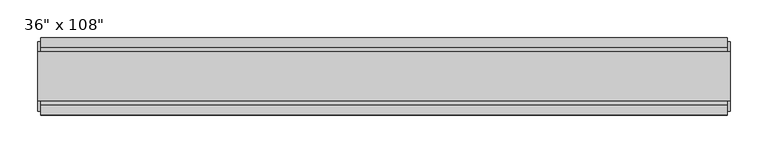
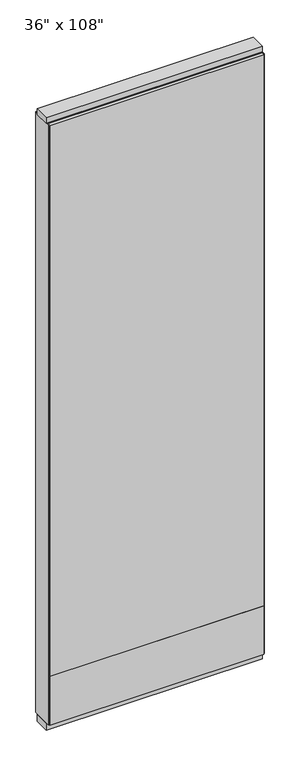
"""IFC4 building model written with IfcOpenShell, lengths in millimetres: furniture geometry."""

from ifc_helpers import new_model, si_unit, frame, origin, origin_with_axes, place, context, project, spatial, polyline, outline, extrude, source, transform, mapped, element, save


def furniture_878c8f33(model_context):
    return source(origin(), model_context, "Body", "SweptSolid", [
        extrude(outline(polyline([(393.2264771, 46.2822784), (393.2264771, 33.5822784), (-513.2995229, 33.5822784), (-513.2995229, 46.2822784), (393.2264771, 46.2822784)])), frame((0.0, 0.0, 249.936), z_axis=(0.0, 0.0, 1.0), x_axis=(1.0, 0.0, 0.0)), (0.0, 0.0, 1.0), 2467.864),
        extrude(outline(polyline([(393.2264771, -55.3177216), (-513.2995229, -55.3177216), (-513.2995229, -42.6177216), (393.2264771, -42.6177216), (393.2264771, -55.3177216)])), frame((0.0, 0.0, 249.936), z_axis=(0.0, 0.0, 1.0), x_axis=(1.0, 0.0, 0.0)), (0.0, 0.0, 1.0), 2467.864),
        extrude(outline(polyline([(393.2264771, 46.2822784), (393.2264771, 33.5822784), (-513.2995229, 33.5822784), (-513.2995229, 46.2822784), (393.2264771, 46.2822784)])), frame((0.0, 0.0, 31.75), z_axis=(0.0, 0.0, 1.0), x_axis=(1.0, 0.0, 0.0)), (0.0, 0.0, 1.0), 218.186),
        extrude(outline(polyline([(393.2264771, -55.3177216), (-513.2995229, -55.3177216), (-513.2995229, -42.6177216), (393.2264771, -42.6177216), (393.2264771, -55.3177216)])), frame((0.0, 0.0, 31.75), z_axis=(0.0, 0.0, 1.0), x_axis=(1.0, 0.0, 0.0)), (0.0, 0.0, 1.0), 218.186),
        extrude(outline(polyline([(-42.6177216, 2681.478), (-42.6177216, 2717.8), (33.5822784, 2717.8), (33.5822784, 2681.478), (28.6292784, 2681.478), (28.6292784, 2676.525), (-37.6647216, 2676.525), (-37.6647216, 2681.478), (-42.6177216, 2681.478)])), frame((-513.2995229, 0.0, 0.0), z_axis=(1.0, 0.0, 0.0), x_axis=(0.0, 1.0, 0.0)), (0.0, 0.0, 1.0), 906.526),
        extrude(outline(polyline([(397.1634771, 27.9942784), (397.1634771, -37.0297216), (-517.2365229, -37.0297216), (-517.2365229, 27.9942784), (397.1634771, 27.9942784)])), origin_with_axes(), (0.0, 0.0, 1.0), 31.75),
        extrude(outline(polyline([(-517.2365229, -37.0297216), (-517.2365229, 27.9942784), (397.1634771, 27.9942784), (397.1634771, -37.0297216), (-517.2365229, -37.0297216)])), frame((0.0, 0.0, 2717.8), z_axis=(0.0, 0.0, 1.0), x_axis=(1.0, 0.0, 0.0)), (0.0, 0.0, 1.0), 25.4),
        extrude(outline(polyline([(397.1634771, -50.3647216), (393.2264771, -50.3647216), (393.2264771, 41.3292784), (397.1634771, 41.3292784), (397.1634771, -50.3647216)])), frame((0.0, 0.0, 31.75), z_axis=(0.0, 0.0, 1.0), x_axis=(1.0, 0.0, 0.0)), (0.0, 0.0, 1.0), 2686.05),
        extrude(outline(polyline([(-517.2365229, -50.3647216), (-517.2365229, 41.3292784), (-513.2995229, 41.3292784), (-513.2995229, -50.3647216), (-517.2365229, -50.3647216)])), frame((0.0, 0.0, 31.75), z_axis=(0.0, 0.0, 1.0), x_axis=(1.0, 0.0, 0.0)), (0.0, 0.0, 1.0), 2686.05),
    ])


if __name__ == "__main__":
    model = new_model("IFC4")
    model_context = context("Model", 3, world=origin())
    ifc_project = project(units=[si_unit("LENGTHUNIT", "METRE", prefix="MILLI")], contexts=[model_context])
    site = spatial("IfcSite", under=ifc_project)
    building = spatial("IfcBuilding", under=site)
    placement = place(None, origin())
    furniture_shape = furniture_878c8f33(model_context)
    element("IfcFurniture", 1, ObjectType="36\" x 108\"", at=placement, inside=building, context=model_context, shape_type="MappedRepresentation", body=[
        mapped(furniture_shape, transform((0.0, 0.0, 0.0), x_axis=(1.0, 0.0, 0.0), y_axis=(0.0, 1.0, 0.0), z_axis=(0.0, 0.0, 1.0))),
    ])
    save(model, "model.ifc")
